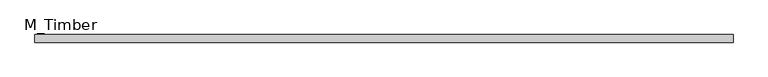
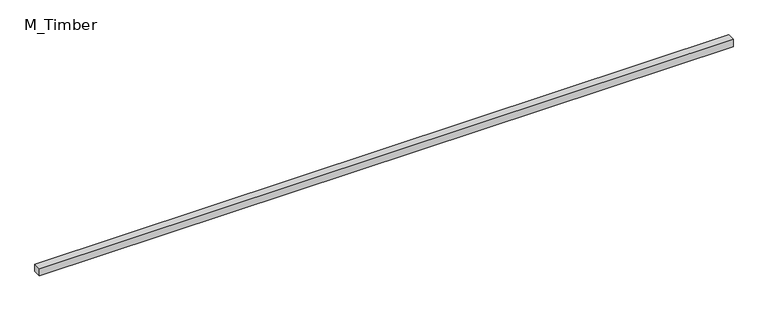
"""IFC4 building model written with IfcOpenShell, lengths in millimetres: beam geometry, M_Timber."""

from ifc_helpers import new_model, si_unit, frame, origin, place, context, project, spatial, polyline, outline, extrude, source, transform, mapped, element, save


def m_timber_15c80189(model_context):
    return source(origin(), model_context, "Body", "SweptSolid", [
        extrude(outline(polyline([(1818.3000796, 20.0), (1818.3000796, -20.0), (-1818.3000796, -20.0), (-1818.3000796, 20.0), (1818.3000796, 20.0)])), frame((0.0, 0.0, -20.0), z_axis=(0.0, 0.0, 1.0), x_axis=(1.0, 0.0, 0.0)), (0.0, 0.0, 1.0), 40.0),
    ])


if __name__ == "__main__":
    model = new_model("IFC4")
    model_context = context("Model", 3, world=origin())
    ifc_project = project(units=[si_unit("LENGTHUNIT", "METRE", prefix="MILLI")], contexts=[model_context])
    site = spatial("IfcSite", under=ifc_project)
    building = spatial("IfcBuilding", under=site)
    placement = place(None, origin())
    m_timber_shape = m_timber_15c80189(model_context)
    element("IfcBeam", 1, ObjectType="M_Timber", at=placement, inside=building, context=model_context, shape_type="MappedRepresentation", body=[
        mapped(m_timber_shape, transform((0.0, 0.0, 0.0), x_axis=(1.0, 0.0, 0.0), y_axis=(0.0, 1.0, 0.0), z_axis=(0.0, 0.0, 1.0))),
    ])
    save(model, "model.ifc")
